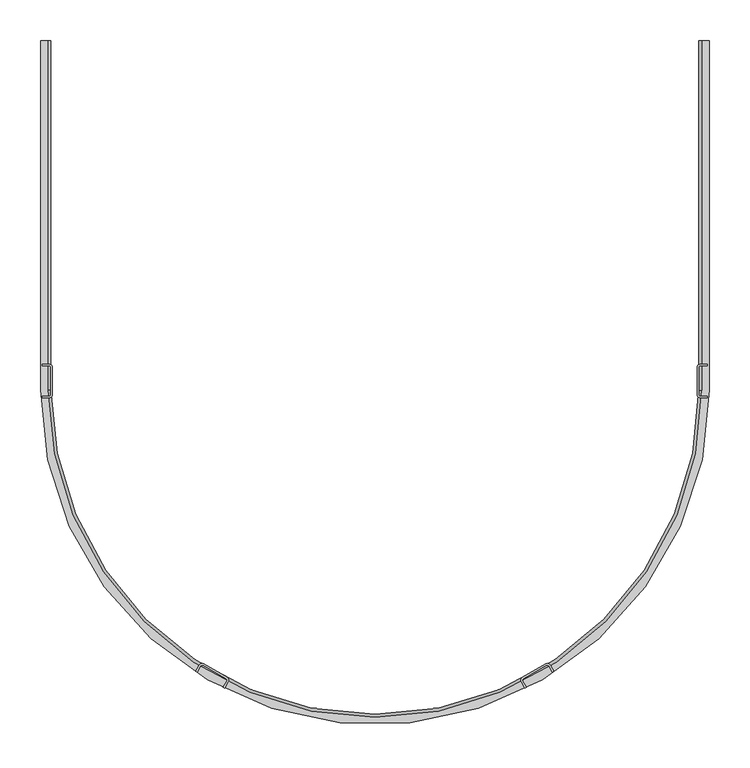
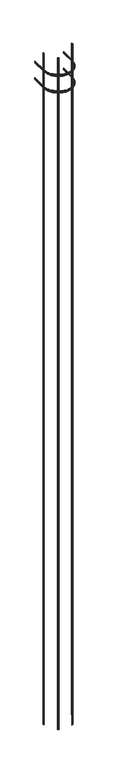
"""IFC4 building model written with IfcOpenShell, lengths in millimetres: proxy geometry."""

from ifc_helpers import new_model, si_unit, point, frame, frame_2d, origin, place, context, project, spatial, polyline, circle_curve, ellipse_curve, trimmed, segment, composite_curve, outline, extrude, source, transform, mapped, element, save
from ifc_brep_helpers import plane_surface, cylinder_surface, revolved_surface, advanced_brep


def generic_models_b671ac7d(model_context):
    return source(origin(), model_context, "Body", "SolidModel", [
        advanced_brep(
        [(413.0816438, 0.0134846, 510.8128122), (413.0816438, 0.0134846, 508.9128122), (404.0048585, 0.0135409, 508.9128122), (400.2301169, 0.0135642, 512.6875539), (400.2301169, 0.0135642, 546.3487175), (403.9942116, 0.0135409, 550.1128122), (413.0816438, 0.0134846, 550.1128122), (413.0816438, 0.0134846, 548.2128122), (404.0152824, 0.0135408, 548.2128122), (402.1301169, 0.0135525, 546.3276467), (402.1301169, 0.0135525, 512.672999), (403.9903036, 0.0135409, 510.8128122), (413.0789731, -431.0893048, 510.8128122), (413.0789731, -431.0893048, 508.9128122), (-412.6203617, -431.0841896, 508.9128122), (-412.6176911, 0.0135999, 508.9128122), (-403.5409058, 0.0135436, 508.9128122), (-403.5435765, -431.0842458, 508.9128122), (404.0021878, -431.0892486, 508.9128122), (400.2274462, -431.0892252, 512.6875539), (400.2274462, -431.0892252, 546.3487175), (403.9915409, -431.0892485, 550.1128122), (-403.5329296, -431.0842458, 550.1128122), (-403.5302589, 0.0135436, 550.1128122), (-412.6176911, 0.0135999, 550.1128122), (-412.6203617, -431.0841896, 550.1128122), (413.0789731, -431.0893048, 550.1128122), (413.0789731, -431.0893048, 548.2128122), (-412.6203617, -431.0841896, 548.2128122), (-412.6176911, 0.0135999, 548.2128122), (-403.5513297, 0.0135437, 548.2128122), (-403.5540004, -431.0842457, 548.2128122), (404.0126117, -431.0892486, 548.2128122), (402.1274462, -431.0892369, 546.3276467), (402.1274462, -431.0892369, 512.672999), (403.9876329, -431.0892485, 510.8128122), (-403.5290216, -431.0842459, 510.8128122), (-403.5263509, 0.0135435, 510.8128122), (-412.6176911, 0.0135999, 510.8128122), (-412.6203617, -431.0841896, 510.8128122), (-399.7688348, -431.0842692, 512.6875539), (-399.7688348, -431.0842692, 546.3487175), (-401.6688348, -431.0842574, 546.3276467), (-401.6688348, -431.0842574, 512.672999), (-401.6661642, 0.013532, 512.672999), (-401.6661642, 0.013532, 546.3276467), (-399.7661642, 0.0135202, 546.3487175), (-399.7661642, 0.0135202, 512.6875539)],
        [
            (0, 1),
            (1, 2),
            (2, 3, circle_curve(frame((404.0048585, 0.0135409, 512.6875539), z_axis=(6.1950422018355295e-06, 0.9999999999808108, 0.0), x_axis=(-0.9999999999808108, 6.1950422018355295e-06, 0.0)), 3.7747416)),
            (3, 4),
            (4, 5, circle_curve(frame((403.9942116, 0.0135409, 546.3487175), z_axis=(6.1950422018355295e-06, 0.9999999999808108, 0.0), x_axis=(-0.9999999999808108, 6.1950422018355295e-06, 0.0)), 3.7640947)),
            (5, 6),
            (6, 7),
            (7, 8),
            (8, 9, circle_curve(frame((404.0152824, 0.0135408, 546.3276467), z_axis=(-6.1950422018355295e-06, -0.9999999999808108, 0.0), x_axis=(-0.9999999999808108, 6.1950422018355295e-06, 0.0)), 1.8851655)),
            (9, 10),
            (10, 11, circle_curve(frame((403.9903036, 0.0135409, 512.672999), z_axis=(-6.1950422018355295e-06, -0.9999999999808108, 0.0), x_axis=(-0.9999999999808108, 6.1950422018355295e-06, 0.0)), 1.8601867)),
            (11, 0),
            (0, 12),
            (12, 13),
            (13, 1),
            (13, 14, circle_curve(frame((0.2293057, -431.0867472, 508.9128122), z_axis=(0.0, 0.0, -1.0), x_axis=(0.9999999999808107, -6.1950422018791e-06, 0.0)), 412.8496674)),
            (14, 15),
            (15, 16),
            (16, 17),
            (17, 18, circle_curve(frame((0.2293057, -431.0867472, 508.9128122), z_axis=(0.0, 0.0, 1.0), x_axis=(0.9999999999808107, -6.1950422018791e-06, 0.0)), 403.7728821)),
            (18, 2),
            (18, 19, circle_curve(frame((404.0021878, -431.0892486, 512.6875539), z_axis=(6.1950422018355295e-06, 0.9999999999808108, 0.0), x_axis=(-0.9999999999808108, 6.1950422018355295e-06, 0.0)), 3.7747416)),
            (19, 3),
            (19, 20),
            (20, 4),
            (20, 21, circle_curve(frame((403.9915409, -431.0892485, 546.3487175), z_axis=(6.1950422018355295e-06, 0.9999999999808108, 0.0), x_axis=(-0.9999999999808108, 6.1950422018355295e-06, 0.0)), 3.7640947)),
            (21, 5),
            (21, 22, circle_curve(frame((0.2293057, -431.0867472, 550.1128122), z_axis=(0.0, 0.0, -1.0), x_axis=(0.9999999999808107, -6.1950422018791e-06, 0.0)), 403.7622352)),
            (22, 23),
            (23, 24),
            (24, 25),
            (25, 26, circle_curve(frame((0.2293057, -431.0867472, 550.1128122), z_axis=(0.0, 0.0, 1.0), x_axis=(0.9999999999808107, -6.1950422018791e-06, 0.0)), 412.8496674)),
            (26, 6),
            (26, 27),
            (27, 7),
            (27, 28, circle_curve(frame((0.2293057, -431.0867472, 548.2128122), z_axis=(0.0, 0.0, -1.0), x_axis=(0.9999999999808107, -6.1950422018791e-06, 0.0)), 412.8496674)),
            (28, 29),
            (29, 30),
            (30, 31),
            (31, 32, circle_curve(frame((0.2293057, -431.0867472, 548.2128122), z_axis=(0.0, 0.0, 1.0), x_axis=(0.9999999999808107, -6.1950422018791e-06, 0.0)), 403.783306)),
            (32, 8),
            (32, 33, circle_curve(frame((404.0126117, -431.0892486, 546.3276467), z_axis=(-6.1950422018355295e-06, -0.9999999999808108, 0.0), x_axis=(-0.9999999999808108, 6.1950422018355295e-06, 0.0)), 1.8851655)),
            (33, 9),
            (33, 34),
            (34, 10),
            (34, 35, circle_curve(frame((403.9876329, -431.0892485, 512.672999), z_axis=(-6.1950422018355295e-06, -0.9999999999808108, 0.0), x_axis=(-0.9999999999808108, 6.1950422018355295e-06, 0.0)), 1.8601867)),
            (35, 11),
            (35, 36, circle_curve(frame((0.2293057, -431.0867472, 510.8128122), z_axis=(0.0, 0.0, -1.0), x_axis=(0.9999999999808107, -6.1950422018791e-06, 0.0)), 403.7583272)),
            (36, 37),
            (37, 38),
            (38, 39),
            (39, 12, circle_curve(frame((0.2293057, -431.0867472, 510.8128122), z_axis=(0.0, 0.0, 1.0), x_axis=(0.9999999999808107, -6.1950422018791e-06, 0.0)), 412.8496674)),
            (39, 14),
            (40, 19, circle_curve(frame((0.2293057, -431.0867472, 512.6875539), z_axis=(0.0, 0.0, 1.0), x_axis=(0.9999999999808107, -6.1950422018791e-06, 0.0)), 399.9981405)),
            (17, 40, circle_curve(frame((-403.5435765, -431.0842458, 512.6875539), z_axis=(-6.195042195983474e-06, -0.9999999999808107, 0.0), x_axis=(0.9999999999808107, -6.195042195983474e-06, 0.0)), 3.7747416)),
            (41, 20, circle_curve(frame((0.2293057, -431.0867472, 546.3487175), z_axis=(0.0, 0.0, 1.0), x_axis=(0.9999999999808107, -6.1950422018791e-06, 0.0)), 399.9981405)),
            (40, 41),
            (41, 22, circle_curve(frame((-403.5329296, -431.0842458, 546.3487175), z_axis=(-6.195042195983474e-06, -0.9999999999808107, 0.0), x_axis=(0.9999999999808107, -6.195042195983474e-06, 0.0)), 3.7640947)),
            (25, 28),
            (42, 33, circle_curve(frame((0.2293057, -431.0867472, 546.3276467), z_axis=(0.0, 0.0, 1.0), x_axis=(0.9999999999808107, -6.1950422018791e-06, 0.0)), 401.8981405)),
            (31, 42, circle_curve(frame((-403.5540004, -431.0842457, 546.3276467), z_axis=(6.195042195983474e-06, 0.9999999999808107, 0.0), x_axis=(0.9999999999808107, -6.195042195983474e-06, 0.0)), 1.8851655)),
            (43, 34, circle_curve(frame((0.2293057, -431.0867472, 512.672999), z_axis=(0.0, 0.0, 1.0), x_axis=(0.9999999999808107, -6.1950422018791e-06, 0.0)), 401.8981405)),
            (42, 43),
            (43, 36, circle_curve(frame((-403.5290216, -431.0842459, 512.672999), z_axis=(6.195042195983474e-06, 0.9999999999808107, 0.0), x_axis=(0.9999999999808107, -6.195042195983474e-06, 0.0)), 1.8601867)),
            (37, 44, circle_curve(frame((-403.5263509, 0.0135435, 512.672999), z_axis=(-6.195042209213617e-06, -0.9999999999808108, 0.0), x_axis=(0.9999999999808108, -6.195042209213617e-06, 0.0)), 1.8601867)),
            (44, 45),
            (45, 30, circle_curve(frame((-403.5513297, 0.0135437, 546.3276467), z_axis=(-6.195042209213617e-06, -0.9999999999808108, 0.0), x_axis=(0.9999999999808108, -6.195042209213617e-06, 0.0)), 1.8851655)),
            (29, 24),
            (23, 46, circle_curve(frame((-403.5302589, 0.0135436, 546.3487175), z_axis=(6.195042209213617e-06, 0.9999999999808108, 0.0), x_axis=(0.9999999999808108, -6.195042209213617e-06, 0.0)), 3.7640947)),
            (46, 47),
            (47, 16, circle_curve(frame((-403.5409058, 0.0135436, 512.6875539), z_axis=(6.195042209213617e-06, 0.9999999999808108, 0.0), x_axis=(0.9999999999808108, -6.195042209213617e-06, 0.0)), 3.7747416)),
            (15, 38),
            (47, 40),
            (46, 41),
            (45, 42),
            (44, 43),
        ],
        [
            plane_surface(frame((400.2301169, 0.0135642, 508.9128122), z_axis=(6.19504220183553e-06, 0.9999999999808108, 0.0), x_axis=(0.0, 0.0, 1.0))),
            plane_surface(frame((413.0816438, 0.0134846, 510.8128122), z_axis=(0.9999999999808108, -6.19504220181695e-06, 0.0), x_axis=(-6.19504220181695e-06, -0.9999999999808108, 0.0))),
            plane_surface(frame((413.0816438, 0.0134846, 508.9128122), z_axis=(0.0, 0.0, -1.0000000000000002), x_axis=(-6.19504220181695e-06, -0.9999999999808108, 0.0))),
            cylinder_surface(frame((404.0048585, 0.0135409, 512.6875539), z_axis=(6.1950422018355295e-06, 0.9999999999808108, 0.0), x_axis=(-0.9999999999808108, 6.1950422018355295e-06, 0.0)), 3.7747416),
            plane_surface(frame((400.2301169, 0.0135642, 512.6875539), z_axis=(-0.9999999999808108, 6.19504220181695e-06, 0.0), x_axis=(-6.19504220181695e-06, -0.9999999999808108, 0.0))),
            cylinder_surface(frame((403.9942116, 0.0135409, 546.3487175), z_axis=(6.1950422018355295e-06, 0.9999999999808108, 0.0), x_axis=(-0.9999999999808108, 6.1950422018355295e-06, 0.0)), 3.7640947),
            plane_surface(frame((403.9942116, 0.0135409, 550.1128122), z_axis=(0.0, 0.0, 1.0000000000000002), x_axis=(-6.19504220181695e-06, -0.9999999999808108, 0.0))),
            plane_surface(frame((413.0816438, 0.0134846, 550.1128122), z_axis=(0.9999999999808108, -6.19504220181695e-06, 0.0), x_axis=(-6.19504220181695e-06, -0.9999999999808108, 0.0))),
            plane_surface(frame((413.0816438, 0.0134846, 548.2128122), z_axis=(0.0, 0.0, -1.0000000000000002), x_axis=(-6.19504220181695e-06, -0.9999999999808108, 0.0))),
            revolved_surface(polyline([(402.1274462000625, -431.08923692132015, 546.3276467), (402.1301169000363, 0.013552499999999777, 546.3276467)]), (404.0152824, 0.0135408, 546.3276467), (-6.1950422018355295e-06, -0.9999999999808108, 0.0)),
            plane_surface(frame((402.1301169, 0.0135525, 546.3276467), z_axis=(0.9999999999808108, -6.19504220181695e-06, 0.0), x_axis=(-6.19504220181695e-06, -0.9999999999808108, 0.0))),
            revolved_surface(polyline([(402.127446200062, -431.0892369760649, 512.672999), (402.13011690003617, 0.013552499999999777, 512.672999)]), (403.9903036, 0.0135409, 512.672999), (-6.1950422018355295e-06, -0.9999999999808108, 0.0)),
            plane_surface(frame((403.9903036, 0.0135409, 510.8128122), z_axis=(0.0, 0.0, 1.0000000000000002), x_axis=(-6.19504220181695e-06, -0.9999999999808108, 0.0))),
            cylinder_surface(frame((0.2293057, -431.0867472, 508.9128122), z_axis=(0.0, 0.0, -1.0), x_axis=(0.9999999999808107, -6.1950422018791e-06, 0.0)), 412.8496674),
            revolved_surface(trimmed(ellipse_curve(frame((404.0021878, -431.0892486, 512.6875539), z_axis=(6.195042201879098e-06, 0.9999999999808107, 0.0), x_axis=(-0.9999999999808107, 6.195042201879098e-06, 0.0)), 3.7747416, 3.7747416), [point((404.0021878, -431.0892486, 508.9128122))], [point((400.2274462, -431.0892252, 512.6875539))], True, "CARTESIAN"), (0.2293057, -431.0867472, 508.9128122), (0.0, 0.0, -1.0)),
            revolved_surface(polyline([(400.2274461923243, -431.08922520536106, 512.6875539), (400.2274461923243, -431.08922520536106, 546.3487175)]), (0.2293057, -431.0867472, 508.9128122), (0.0, 0.0, -1.0)),
            revolved_surface(trimmed(ellipse_curve(frame((403.9915409, -431.0892485, 546.3487175), z_axis=(6.195042201879098e-06, 0.9999999999808107, 0.0), x_axis=(-0.9999999999808107, 6.195042201879098e-06, 0.0)), 3.7640947, 3.7640947), [point((400.2274462, -431.0892252, 546.3487175))], [point((403.9915409, -431.0892485, 550.1128122))], True, "CARTESIAN"), (0.2293057, -431.0867472, 508.9128122), (0.0, 0.0, -1.0)),
            revolved_surface(trimmed(ellipse_curve(frame((404.0126117, -431.0892486, 546.3276467), z_axis=(-6.195042201879098e-06, -0.9999999999808107, 0.0), x_axis=(-0.9999999999808107, 6.195042201879098e-06, 0.0)), 1.8851655, 1.8851655), [point((404.0126117, -431.0892486, 548.2128122))], [point((402.1274462, -431.0892369, 546.3276467))], True, "CARTESIAN"), (0.2293057, -431.0867472, 508.9128122), (0.0, 0.0, -1.0)),
            cylinder_surface(frame((0.2293057, -431.0867472, 508.9128122), z_axis=(0.0, 0.0, -1.0), x_axis=(0.9999999999808107, -6.1950422018791e-06, 0.0)), 401.8981405),
            revolved_surface(trimmed(ellipse_curve(frame((403.9876329, -431.0892485, 512.672999), z_axis=(-6.195042201879098e-06, -0.9999999999808107, 0.0), x_axis=(-0.9999999999808107, 6.195042201879098e-06, 0.0)), 1.8601867, 1.8601867), [point((402.1274462, -431.0892369, 512.672999))], [point((403.9876329, -431.0892485, 510.8128122))], True, "CARTESIAN"), (0.2293057, -431.0867472, 508.9128122), (0.0, 0.0, -1.0)),
            plane_surface(frame((-399.7661642, 0.0135202, 508.9128122), z_axis=(6.1950422092136176e-06, 0.9999999999808108, 0.0), x_axis=(0.0, 0.0, 1.0))),
            plane_surface(frame((-412.6203617, -431.0841896, 510.8128122), z_axis=(-0.9999999999808108, 6.195042209195125e-06, 0.0), x_axis=(6.195042209195125e-06, 0.9999999999808108, 0.0))),
            cylinder_surface(frame((-403.5435765, -431.0842458, 512.6875539), z_axis=(-6.195042209213617e-06, -0.9999999999808108, 0.0), x_axis=(0.9999999999808108, -6.195042209213617e-06, 0.0)), 3.7747416),
            plane_surface(frame((-399.7688348, -431.0842692, 512.6875539), z_axis=(0.9999999999808108, -6.195042209195126e-06, 0.0), x_axis=(6.195042209195126e-06, 0.9999999999808108, 0.0))),
            cylinder_surface(frame((-403.5329296, -431.0842458, 546.3487175), z_axis=(-6.195042209213617e-06, -0.9999999999808108, 0.0), x_axis=(0.9999999999808108, -6.195042209213617e-06, 0.0)), 3.7640947),
            plane_surface(frame((-412.6203617, -431.0841896, 550.1128122), z_axis=(-0.9999999999808108, 6.195042209195125e-06, 0.0), x_axis=(6.195042209195125e-06, 0.9999999999808108, 0.0))),
            revolved_surface(polyline([(-401.6661642310345, 0.013532021320372678, 546.3276467), (-401.6688349000363, -431.08425739999944, 546.3276467)]), (-403.5540004, -431.0842457, 546.3276467), (6.195042209213617e-06, 0.9999999999808108, 0.0)),
            plane_surface(frame((-401.6688348, -431.0842574, 546.3276467), z_axis=(-0.9999999999808108, 6.195042209195126e-06, 0.0), x_axis=(6.195042209195126e-06, 0.9999999999808108, 0.0))),
            revolved_surface(polyline([(-401.6661642310339, 0.013532000000225253, 512.672999), (-401.66883490003573, -431.0842574239351, 512.672999)]), (-403.5290216, -431.0842459, 512.672999), (6.195042209213617e-06, 0.9999999999808108, 0.0)),
        ],
        [
            (0, [[1, 2, 3, 4, 5, 6, 7, 8, 9, 10, 11, 12]]),
            (1, [[-1, 13, 14, 15]]),
            (2, [[-2, -15, 16, 17, 18, 19, 20, 21]]),
            (3, [[-3, -21, 22, 23]]),
            (4, [[-4, -23, 24, 25]]),
            (5, [[-5, -25, 26, 27]]),
            (6, [[-6, -27, 28, 29, 30, 31, 32, 33]]),
            (7, [[-7, -33, 34, 35]]),
            (8, [[-8, -35, 36, 37, 38, 39, 40, 41]]),
            (9, [[-9, -41, 42, 43]]),
            (10, [[-10, -43, 44, 45]]),
            (11, [[-11, -45, 46, 47]]),
            (12, [[-12, -47, 48, 49, 50, 51, 52, -13]]),
            (13, [[-16, -14, -52, 53]]),
            (14, [[54, -22, -20, 55]]),
            (15, [[56, -24, -54, 57]]),
            (16, [[-28, -26, -56, 58]]),
            (13, [[-36, -34, -32, 59]]),
            (17, [[60, -42, -40, 61]]),
            (18, [[62, -44, -60, 63]]),
            (19, [[-48, -46, -62, 64]]),
            (20, [[-50, 65, 66, 67, -38, 68, -30, 69, 70, 71, -18, 72]]),
            (21, [[-53, -51, -72, -17]]),
            (22, [[-55, -19, -71, 73]]),
            (23, [[-57, -73, -70, 74]]),
            (24, [[-58, -74, -69, -29]]),
            (25, [[-59, -31, -68, -37]]),
            (26, [[-61, -39, -67, 75]]),
            (27, [[-63, -75, -66, 76]]),
            (28, [[-64, -76, -65, -49]]),
        ],
    ),
        advanced_brep(
        [(413.0816438, 0.0134846, 11.3128122), (413.0816438, 0.0134846, 9.4128122), (404.0048585, 0.0135409, 9.4128122), (400.2301169, 0.0135642, 13.1875539), (400.2301169, 0.0135642, 46.8487175), (403.9942116, 0.0135409, 50.6128122), (413.0816438, 0.0134846, 50.6128122), (413.0816438, 0.0134846, 48.7128122), (404.0152824, 0.0135408, 48.7128122), (402.1301169, 0.0135525, 46.8276467), (402.1301169, 0.0135525, 13.172999), (403.9903036, 0.0135409, 11.3128122), (413.0789731, -431.0893048, 11.3128122), (413.0789731, -431.0893048, 9.4128122), (-412.6203617, -431.0841896, 9.4128122), (-412.6176911, 0.0135999, 9.4128122), (-403.5409058, 0.0135436, 9.4128122), (-403.5435765, -431.0842458, 9.4128122), (404.0021878, -431.0892486, 9.4128122), (400.2274462, -431.0892252, 13.1875539), (400.2274462, -431.0892252, 46.8487175), (403.9915409, -431.0892485, 50.6128122), (-403.5329296, -431.0842458, 50.6128122), (-403.5302589, 0.0135436, 50.6128122), (-412.6176911, 0.0135999, 50.6128122), (-412.6203617, -431.0841896, 50.6128122), (413.0789731, -431.0893048, 50.6128122), (413.0789731, -431.0893048, 48.7128122), (-412.6203617, -431.0841896, 48.7128122), (-412.6176911, 0.0135999, 48.7128122), (-403.5513297, 0.0135437, 48.7128122), (-403.5540004, -431.0842457, 48.7128122), (404.0126117, -431.0892486, 48.7128122), (402.1274462, -431.0892369, 46.8276467), (402.1274462, -431.0892369, 13.172999), (403.9876329, -431.0892485, 11.3128122), (-403.5290216, -431.0842459, 11.3128122), (-403.5263509, 0.0135435, 11.3128122), (-412.6176911, 0.0135999, 11.3128122), (-412.6203617, -431.0841896, 11.3128122), (-399.7688348, -431.0842692, 13.1875539), (-399.7688348, -431.0842692, 46.8487175), (-401.6688348, -431.0842574, 46.8276467), (-401.6688348, -431.0842574, 13.172999), (-401.6661642, 0.013532, 13.172999), (-401.6661642, 0.013532, 46.8276467), (-399.7661642, 0.0135202, 46.8487175), (-399.7661642, 0.0135202, 13.1875539)],
        [
            (0, 1),
            (1, 2),
            (2, 3, circle_curve(frame((404.0048585, 0.0135409, 13.1875539), z_axis=(6.19504220183553e-06, 0.9999999999808108, 0.0), x_axis=(-0.9999999999808108, 6.19504220183553e-06, 0.0)), 3.7747416)),
            (3, 4),
            (4, 5, circle_curve(frame((403.9942116, 0.0135409, 46.8487175), z_axis=(6.19504220183553e-06, 0.9999999999808108, 0.0), x_axis=(-0.9999999999808108, 6.19504220183553e-06, 0.0)), 3.7640947)),
            (5, 6),
            (6, 7),
            (7, 8),
            (8, 9, circle_curve(frame((404.0152824, 0.0135408, 46.8276467), z_axis=(-6.19504220183553e-06, -0.9999999999808108, 0.0), x_axis=(-0.9999999999808108, 6.19504220183553e-06, 0.0)), 1.8851655)),
            (9, 10),
            (10, 11, circle_curve(frame((403.9903036, 0.0135409, 13.172999), z_axis=(-6.19504220183553e-06, -0.9999999999808108, 0.0), x_axis=(-0.9999999999808108, 6.19504220183553e-06, 0.0)), 1.8601867)),
            (11, 0),
            (0, 12),
            (12, 13),
            (13, 1),
            (13, 14, circle_curve(frame((0.2293057, -431.0867472, 9.4128122), z_axis=(0.0, 0.0, -1.0), x_axis=(0.9999999999808107, -6.195042201879101e-06, 0.0)), 412.8496674)),
            (14, 15),
            (15, 16),
            (16, 17),
            (17, 18, circle_curve(frame((0.2293057, -431.0867472, 9.4128122), z_axis=(0.0, 0.0, 1.0), x_axis=(0.9999999999808107, -6.195042201879101e-06, 0.0)), 403.7728821)),
            (18, 2),
            (18, 19, circle_curve(frame((404.0021878, -431.0892486, 13.1875539), z_axis=(6.19504220183553e-06, 0.9999999999808108, 0.0), x_axis=(-0.9999999999808108, 6.19504220183553e-06, 0.0)), 3.7747416)),
            (19, 3),
            (19, 20),
            (20, 4),
            (20, 21, circle_curve(frame((403.9915409, -431.0892485, 46.8487175), z_axis=(6.19504220183553e-06, 0.9999999999808108, 0.0), x_axis=(-0.9999999999808108, 6.19504220183553e-06, 0.0)), 3.7640947)),
            (21, 5),
            (21, 22, circle_curve(frame((0.2293057, -431.0867472, 50.6128122), z_axis=(0.0, 0.0, -1.0), x_axis=(0.9999999999808107, -6.195042201879101e-06, 0.0)), 403.7622352)),
            (22, 23),
            (23, 24),
            (24, 25),
            (25, 26, circle_curve(frame((0.2293057, -431.0867472, 50.6128122), z_axis=(0.0, 0.0, 1.0), x_axis=(0.9999999999808107, -6.195042201879101e-06, 0.0)), 412.8496674)),
            (26, 6),
            (26, 27),
            (27, 7),
            (27, 28, circle_curve(frame((0.2293057, -431.0867472, 48.7128122), z_axis=(0.0, 0.0, -1.0), x_axis=(0.9999999999808107, -6.195042201879101e-06, 0.0)), 412.8496674)),
            (28, 29),
            (29, 30),
            (30, 31),
            (31, 32, circle_curve(frame((0.2293057, -431.0867472, 48.7128122), z_axis=(0.0, 0.0, 1.0), x_axis=(0.9999999999808107, -6.195042201879101e-06, 0.0)), 403.783306)),
            (32, 8),
            (32, 33, circle_curve(frame((404.0126117, -431.0892486, 46.8276467), z_axis=(-6.19504220183553e-06, -0.9999999999808108, 0.0), x_axis=(-0.9999999999808108, 6.19504220183553e-06, 0.0)), 1.8851655)),
            (33, 9),
            (33, 34),
            (34, 10),
            (34, 35, circle_curve(frame((403.9876329, -431.0892485, 13.172999), z_axis=(-6.19504220183553e-06, -0.9999999999808108, 0.0), x_axis=(-0.9999999999808108, 6.19504220183553e-06, 0.0)), 1.8601867)),
            (35, 11),
            (35, 36, circle_curve(frame((0.2293057, -431.0867472, 11.3128122), z_axis=(0.0, 0.0, -1.0), x_axis=(0.9999999999808107, -6.195042201879101e-06, 0.0)), 403.7583272)),
            (36, 37),
            (37, 38),
            (38, 39),
            (39, 12, circle_curve(frame((0.2293057, -431.0867472, 11.3128122), z_axis=(0.0, 0.0, 1.0), x_axis=(0.9999999999808107, -6.195042201879101e-06, 0.0)), 412.8496674)),
            (39, 14),
            (40, 19, circle_curve(frame((0.2293057, -431.0867472, 13.1875539), z_axis=(0.0, 0.0, 1.0), x_axis=(0.9999999999808107, -6.195042201879101e-06, 0.0)), 399.9981405)),
            (17, 40, circle_curve(frame((-403.5435765, -431.0842458, 13.1875539), z_axis=(-6.195042195983476e-06, -0.9999999999808107, 0.0), x_axis=(0.9999999999808107, -6.195042195983476e-06, 0.0)), 3.7747416)),
            (41, 20, circle_curve(frame((0.2293057, -431.0867472, 46.8487175), z_axis=(0.0, 0.0, 1.0), x_axis=(0.9999999999808107, -6.195042201879101e-06, 0.0)), 399.9981405)),
            (40, 41),
            (41, 22, circle_curve(frame((-403.5329296, -431.0842458, 46.8487175), z_axis=(-6.195042195983476e-06, -0.9999999999808107, 0.0), x_axis=(0.9999999999808107, -6.195042195983476e-06, 0.0)), 3.7640947)),
            (25, 28),
            (42, 33, circle_curve(frame((0.2293057, -431.0867472, 46.8276467), z_axis=(0.0, 0.0, 1.0), x_axis=(0.9999999999808107, -6.195042201879101e-06, 0.0)), 401.8981405)),
            (31, 42, circle_curve(frame((-403.5540004, -431.0842457, 46.8276467), z_axis=(6.195042195983476e-06, 0.9999999999808107, 0.0), x_axis=(0.9999999999808107, -6.195042195983476e-06, 0.0)), 1.8851655)),
            (43, 34, circle_curve(frame((0.2293057, -431.0867472, 13.172999), z_axis=(0.0, 0.0, 1.0), x_axis=(0.9999999999808107, -6.195042201879101e-06, 0.0)), 401.8981405)),
            (42, 43),
            (43, 36, circle_curve(frame((-403.5290216, -431.0842459, 13.172999), z_axis=(6.195042195983476e-06, 0.9999999999808107, 0.0), x_axis=(0.9999999999808107, -6.195042195983476e-06, 0.0)), 1.8601867)),
            (37, 44, circle_curve(frame((-403.5263509, 0.0135435, 13.172999), z_axis=(-6.195042209213618e-06, -0.9999999999808108, 0.0), x_axis=(0.9999999999808108, -6.195042209213618e-06, 0.0)), 1.8601867)),
            (44, 45),
            (45, 30, circle_curve(frame((-403.5513297, 0.0135437, 46.8276467), z_axis=(-6.195042209213618e-06, -0.9999999999808108, 0.0), x_axis=(0.9999999999808108, -6.195042209213618e-06, 0.0)), 1.8851655)),
            (29, 24),
            (23, 46, circle_curve(frame((-403.5302589, 0.0135436, 46.8487175), z_axis=(6.195042209213618e-06, 0.9999999999808108, 0.0), x_axis=(0.9999999999808108, -6.195042209213618e-06, 0.0)), 3.7640947)),
            (46, 47),
            (47, 16, circle_curve(frame((-403.5409058, 0.0135436, 13.1875539), z_axis=(6.195042209213618e-06, 0.9999999999808108, 0.0), x_axis=(0.9999999999808108, -6.195042209213618e-06, 0.0)), 3.7747416)),
            (15, 38),
            (47, 40),
            (46, 41),
            (45, 42),
            (44, 43),
        ],
        [
            plane_surface(frame((400.2301169, 0.0135642, 9.4128122), z_axis=(6.195042201835531e-06, 0.9999999999808108, 0.0), x_axis=(0.0, 0.0, 1.0))),
            plane_surface(frame((413.0816438, 0.0134846, 11.3128122), z_axis=(0.9999999999808108, -6.19504220181695e-06, 0.0), x_axis=(-6.19504220181695e-06, -0.9999999999808108, 0.0))),
            plane_surface(frame((413.0816438, 0.0134846, 9.4128122), z_axis=(0.0, 0.0, -1.0000000000000002), x_axis=(-6.19504220181695e-06, -0.9999999999808108, 0.0))),
            cylinder_surface(frame((404.0048585, 0.0135409, 13.1875539), z_axis=(6.19504220183553e-06, 0.9999999999808108, 0.0), x_axis=(-0.9999999999808108, 6.19504220183553e-06, 0.0)), 3.7747416),
            plane_surface(frame((400.2301169, 0.0135642, 13.1875539), z_axis=(-0.9999999999808108, 6.19504220181695e-06, 0.0), x_axis=(-6.19504220181695e-06, -0.9999999999808108, 0.0))),
            cylinder_surface(frame((403.9942116, 0.0135409, 46.8487175), z_axis=(6.19504220183553e-06, 0.9999999999808108, 0.0), x_axis=(-0.9999999999808108, 6.19504220183553e-06, 0.0)), 3.7640947),
            plane_surface(frame((403.9942116, 0.0135409, 50.6128122), z_axis=(0.0, 0.0, 1.0000000000000002), x_axis=(-6.19504220181695e-06, -0.9999999999808108, 0.0))),
            plane_surface(frame((413.0816438, 0.0134846, 50.6128122), z_axis=(0.9999999999808108, -6.19504220181695e-06, 0.0), x_axis=(-6.19504220181695e-06, -0.9999999999808108, 0.0))),
            plane_surface(frame((413.0816438, 0.0134846, 48.7128122), z_axis=(0.0, 0.0, -1.0000000000000002), x_axis=(-6.19504220181695e-06, -0.9999999999808108, 0.0))),
            revolved_surface(polyline([(402.1274462000625, -431.08923692132015, 46.8276467), (402.1301169000363, 0.013552499999999777, 46.8276467)]), (404.0152824, 0.0135408, 46.8276467), (-6.19504220183553e-06, -0.9999999999808108, 0.0)),
            plane_surface(frame((402.1301169, 0.0135525, 46.8276467), z_axis=(0.9999999999808108, -6.19504220181695e-06, 0.0), x_axis=(-6.19504220181695e-06, -0.9999999999808108, 0.0))),
            revolved_surface(polyline([(402.127446200062, -431.0892369760649, 13.172999), (402.13011690003617, 0.013552499999999777, 13.172999)]), (403.9903036, 0.0135409, 13.172999), (-6.19504220183553e-06, -0.9999999999808108, 0.0)),
            plane_surface(frame((403.9903036, 0.0135409, 11.3128122), z_axis=(0.0, 0.0, 1.0000000000000002), x_axis=(-6.19504220181695e-06, -0.9999999999808108, 0.0))),
            cylinder_surface(frame((0.2293057, -431.0867472, 9.4128122), z_axis=(0.0, 0.0, -1.0), x_axis=(0.9999999999808107, -6.195042201879101e-06, 0.0)), 412.8496674),
            revolved_surface(trimmed(ellipse_curve(frame((404.0021878, -431.0892486, 13.1875539), z_axis=(6.195042201879101e-06, 0.9999999999808107, 0.0), x_axis=(-0.9999999999808107, 6.195042201879101e-06, 0.0)), 3.7747416, 3.7747416), [point((404.0021878, -431.0892486, 9.4128122))], [point((400.2274462, -431.0892252, 13.1875539))], True, "CARTESIAN"), (0.2293057, -431.0867472, 9.4128122), (0.0, 0.0, -1.0)),
            revolved_surface(polyline([(400.2274461923243, -431.08922520536106, 13.1875539), (400.2274461923243, -431.08922520536106, 46.8487175)]), (0.2293057, -431.0867472, 9.4128122), (0.0, 0.0, -1.0)),
            revolved_surface(trimmed(ellipse_curve(frame((403.9915409, -431.0892485, 46.8487175), z_axis=(6.195042201879101e-06, 0.9999999999808107, 0.0), x_axis=(-0.9999999999808107, 6.195042201879101e-06, 0.0)), 3.7640947, 3.7640947), [point((400.2274462, -431.0892252, 46.8487175))], [point((403.9915409, -431.0892485, 50.6128122))], True, "CARTESIAN"), (0.2293057, -431.0867472, 9.4128122), (0.0, 0.0, -1.0)),
            revolved_surface(trimmed(ellipse_curve(frame((404.0126117, -431.0892486, 46.8276467), z_axis=(-6.195042201879101e-06, -0.9999999999808107, 0.0), x_axis=(-0.9999999999808107, 6.195042201879101e-06, 0.0)), 1.8851655, 1.8851655), [point((404.0126117, -431.0892486, 48.7128122))], [point((402.1274462, -431.0892369, 46.8276467))], True, "CARTESIAN"), (0.2293057, -431.0867472, 9.4128122), (0.0, 0.0, -1.0)),
            cylinder_surface(frame((0.2293057, -431.0867472, 9.4128122), z_axis=(0.0, 0.0, -1.0), x_axis=(0.9999999999808107, -6.195042201879101e-06, 0.0)), 401.8981405),
            revolved_surface(trimmed(ellipse_curve(frame((403.9876329, -431.0892485, 13.172999), z_axis=(-6.195042201879101e-06, -0.9999999999808107, 0.0), x_axis=(-0.9999999999808107, 6.195042201879101e-06, 0.0)), 1.8601867, 1.8601867), [point((402.1274462, -431.0892369, 13.172999))], [point((403.9876329, -431.0892485, 11.3128122))], True, "CARTESIAN"), (0.2293057, -431.0867472, 9.4128122), (0.0, 0.0, -1.0)),
            plane_surface(frame((-399.7661642, 0.0135202, 9.4128122), z_axis=(6.1950422092136176e-06, 0.9999999999808108, 0.0), x_axis=(0.0, 0.0, 1.0))),
            plane_surface(frame((-412.6203617, -431.0841896, 11.3128122), z_axis=(-0.9999999999808108, 6.195042209195125e-06, 0.0), x_axis=(6.195042209195125e-06, 0.9999999999808108, 0.0))),
            cylinder_surface(frame((-403.5435765, -431.0842458, 13.1875539), z_axis=(-6.195042209213618e-06, -0.9999999999808108, 0.0), x_axis=(0.9999999999808108, -6.195042209213618e-06, 0.0)), 3.7747416),
            plane_surface(frame((-399.7688348, -431.0842692, 13.1875539), z_axis=(0.9999999999808108, -6.195042209195126e-06, 0.0), x_axis=(6.195042209195126e-06, 0.9999999999808108, 0.0))),
            cylinder_surface(frame((-403.5329296, -431.0842458, 46.8487175), z_axis=(-6.195042209213618e-06, -0.9999999999808108, 0.0), x_axis=(0.9999999999808108, -6.195042209213618e-06, 0.0)), 3.7640947),
            plane_surface(frame((-412.6203617, -431.0841896, 50.6128122), z_axis=(-0.9999999999808108, 6.195042209195125e-06, 0.0), x_axis=(6.195042209195125e-06, 0.9999999999808108, 0.0))),
            revolved_surface(polyline([(-401.6661642310345, 0.013532021320372678, 46.8276467), (-401.6688349000363, -431.08425739999944, 46.8276467)]), (-403.5540004, -431.0842457, 46.8276467), (6.195042209213618e-06, 0.9999999999808108, 0.0)),
            plane_surface(frame((-401.6688348, -431.0842574, 46.8276467), z_axis=(-0.9999999999808108, 6.195042209195126e-06, 0.0), x_axis=(6.195042209195126e-06, 0.9999999999808108, 0.0))),
            revolved_surface(polyline([(-401.6661642310339, 0.013532000000225253, 13.172999), (-401.66883490003573, -431.0842574239351, 13.172999)]), (-403.5290216, -431.0842459, 13.172999), (6.195042209213618e-06, 0.9999999999808108, 0.0)),
        ],
        [
            (0, [[1, 2, 3, 4, 5, 6, 7, 8, 9, 10, 11, 12]]),
            (1, [[-1, 13, 14, 15]]),
            (2, [[-2, -15, 16, 17, 18, 19, 20, 21]]),
            (3, [[-3, -21, 22, 23]]),
            (4, [[-4, -23, 24, 25]]),
            (5, [[-5, -25, 26, 27]]),
            (6, [[-6, -27, 28, 29, 30, 31, 32, 33]]),
            (7, [[-7, -33, 34, 35]]),
            (8, [[-8, -35, 36, 37, 38, 39, 40, 41]]),
            (9, [[-9, -41, 42, 43]]),
            (10, [[-10, -43, 44, 45]]),
            (11, [[-11, -45, 46, 47]]),
            (12, [[-12, -47, 48, 49, 50, 51, 52, -13]]),
            (13, [[-16, -14, -52, 53]]),
            (14, [[54, -22, -20, 55]]),
            (15, [[56, -24, -54, 57]]),
            (16, [[-28, -26, -56, 58]]),
            (13, [[-36, -34, -32, 59]]),
            (17, [[60, -42, -40, 61]]),
            (18, [[62, -44, -60, 63]]),
            (19, [[-48, -46, -62, 64]]),
            (20, [[-50, 65, 66, 67, -38, 68, -30, 69, 70, 71, -18, 72]]),
            (21, [[-53, -51, -72, -17]]),
            (22, [[-55, -19, -71, 73]]),
            (23, [[-57, -73, -70, 74]]),
            (24, [[-58, -74, -69, -29]]),
            (25, [[-59, -31, -68, -37]]),
            (26, [[-61, -39, -67, 75]]),
            (27, [[-63, -75, -66, 76]]),
            (28, [[-64, -76, -65, -49]]),
        ],
    ),
        extrude(outline(composite_curve([segment(polyline([(401.8794449, -399.3814667), (410.7201653, -399.3814119), (410.7201771, -401.2814119), (401.7931346, -401.2814672)]), True, "CONTINUOUS"), segment(trimmed(circle_curve(frame_2d((401.7931471, -403.3059516)), 2.0244844), [point((401.7931346, -401.2814672))], [point((399.7686628, -403.3059641))], True, "CARTESIAN"), True, "CONTINUOUS"), segment(polyline([(399.7686628, -403.3059641), (399.7688697, -436.7168458)]), True, "CONTINUOUS"), segment(trimmed(circle_curve(frame_2d((401.7335037, -436.7168336)), 1.964634), [point((399.7688697, -436.7168458))], [point((401.7335159, -438.6814676))], True, "CARTESIAN"), True, "CONTINUOUS"), segment(polyline([(401.7335159, -438.6814676), (410.7204088, -438.6814119), (410.7204206, -440.5814119), (401.8959679, -440.5814666)]), True, "CONTINUOUS"), segment(trimmed(circle_curve(frame_2d((401.895943, -436.5543923)), 4.0270743), [point((401.8959679, -440.5814666))], [point((397.8688687, -436.5544173))], False, "CARTESIAN"), True, "CONTINUOUS"), segment(polyline([(397.8688687, -436.5544173), (397.8686633, -403.392298)]), True, "CONTINUOUS"), segment(trimmed(circle_curve(frame_2d((401.8794698, -403.3922731)), 4.0108065), [point((397.8686633, -403.392298))], [point((401.8794449, -399.3814667))], False, "CARTESIAN"), True, "CONTINUOUS")], self_intersect=False)), frame((0.0, 0.0, -19000.0), z_axis=(0.0, 0.0, 1.0), x_axis=(1.0, 0.0, 0.0)), (0.0, 0.0, 1.0), 20046.6926392),
        extrude(outline(composite_curve([segment(polyline([(-180.890162, -791.1170189), (-185.3051028, -798.7640301), (-186.950557, -797.8140403), (-182.4776126, -790.0665626)]), True, "CONTINUOUS"), segment(trimmed(circle_curve(frame_2d((-184.2144693, -789.0638023)), 2.0055422), [point((-182.4776126, -790.0665626))], [point((-183.211709, -787.3269455))], True, "CARTESIAN"), True, "CONTINUOUS"), segment(polyline([(-183.211709, -787.3269455), (-212.1124734, -770.6413202)]), True, "CONTINUOUS"), segment(trimmed(circle_curve(frame_2d((-213.123887, -772.393165)), 2.0228489), [point((-212.1124734, -770.6413202))], [point((-214.8757318, -771.3817514))], True, "CARTESIAN"), True, "CONTINUOUS"), segment(polyline([(-214.8757318, -771.3817514), (-219.3400229, -779.114241), (-220.9854771, -778.1642512), (-216.5515351, -770.4843285)]), True, "CONTINUOUS"), segment(trimmed(circle_curve(frame_2d((-213.1016691, -772.4760811)), 3.9835478), [point((-216.5515351, -770.4843285))], [point((-211.1099166, -769.0262151))], False, "CARTESIAN"), True, "CONTINUOUS"), segment(polyline([(-211.1099166, -769.0262151), (-182.3621857, -785.6234879)]), True, "CONTINUOUS"), segment(trimmed(circle_curve(frame_2d((-184.3729393, -789.1062652)), 4.0215505), [point((-182.3621857, -785.6234879))], [point((-180.890162, -791.1170189))], False, "CARTESIAN"), True, "CONTINUOUS")], self_intersect=False)), frame((0.0, 0.0, -19000.0), z_axis=(0.0, 0.0, 1.0), x_axis=(1.0, 0.0, 0.0)), (0.0, 0.0, 1.0), 20046.6926392),
        extrude(outline(composite_curve([segment(trimmed(circle_curve(frame_2d((184.3729393, -789.1062652)), 4.0215505), [point((180.890162, -791.1170189))], [point((182.3621857, -785.6234879))], False, "CARTESIAN"), True, "CONTINUOUS"), segment(polyline([(182.3621857, -785.6234879), (211.1099166, -769.0262151)]), True, "CONTINUOUS"), segment(trimmed(circle_curve(frame_2d((213.1016691, -772.4760811)), 3.9835478), [point((211.1099166, -769.0262151))], [point((216.5515351, -770.4843285))], False, "CARTESIAN"), True, "CONTINUOUS"), segment(polyline([(216.5515351, -770.4843285), (220.9854771, -778.1642512), (219.3400229, -779.114241), (214.8757318, -771.3817514)]), True, "CONTINUOUS"), segment(trimmed(circle_curve(frame_2d((213.123887, -772.393165)), 2.0228489), [point((214.8757318, -771.3817514))], [point((212.1124734, -770.6413202))], True, "CARTESIAN"), True, "CONTINUOUS"), segment(polyline([(212.1124734, -770.6413202), (183.211709, -787.3269455)]), True, "CONTINUOUS"), segment(trimmed(circle_curve(frame_2d((184.2144693, -789.0638023)), 2.0055422), [point((183.211709, -787.3269455))], [point((182.4776126, -790.0665626))], True, "CARTESIAN"), True, "CONTINUOUS"), segment(polyline([(182.4776126, -790.0665626), (186.950557, -797.8140403), (185.3051028, -798.7640301), (180.890162, -791.1170189)]), True, "CONTINUOUS")], self_intersect=False)), frame((0.0, 0.0, -19000.0), z_axis=(0.0, 0.0, 1.0), x_axis=(1.0, 0.0, 0.0)), (0.0, 0.0, 1.0), 20046.6926392),
        extrude(outline(composite_curve([segment(trimmed(circle_curve(frame_2d((-401.8794698, -403.3922731)), 4.0108065), [point((-401.8794449, -399.3814667))], [point((-397.8686633, -403.392298))], False, "CARTESIAN"), True, "CONTINUOUS"), segment(polyline([(-397.8686633, -403.392298), (-397.8688687, -436.5544173)]), True, "CONTINUOUS"), segment(trimmed(circle_curve(frame_2d((-401.895943, -436.5543923)), 4.0270743), [point((-397.8688687, -436.5544173))], [point((-401.8959679, -440.5814666))], False, "CARTESIAN"), True, "CONTINUOUS"), segment(polyline([(-401.8959679, -440.5814666), (-410.7204206, -440.5814119), (-410.7204088, -438.6814119), (-401.7335159, -438.6814676)]), True, "CONTINUOUS"), segment(trimmed(circle_curve(frame_2d((-401.7335037, -436.7168336)), 1.964634), [point((-401.7335159, -438.6814676))], [point((-399.7688697, -436.7168458))], True, "CARTESIAN"), True, "CONTINUOUS"), segment(polyline([(-399.7688697, -436.7168458), (-399.7686628, -403.3059641)]), True, "CONTINUOUS"), segment(trimmed(circle_curve(frame_2d((-401.7931471, -403.3059516)), 2.0244844), [point((-399.7686628, -403.3059641))], [point((-401.7931346, -401.2814672))], True, "CARTESIAN"), True, "CONTINUOUS"), segment(polyline([(-401.7931346, -401.2814672), (-410.7201771, -401.2814119), (-410.7201653, -399.3814119), (-401.8794449, -399.3814667)]), True, "CONTINUOUS")], self_intersect=False)), frame((0.0, 0.0, -19000.0), z_axis=(0.0, 0.0, 1.0), x_axis=(1.0, 0.0, 0.0)), (0.0, 0.0, 1.0), 20046.6926392),
    ])


if __name__ == "__main__":
    model = new_model("IFC4")
    model_context = context("Model", 3, world=origin())
    ifc_project = project(units=[si_unit("LENGTHUNIT", "METRE", prefix="MILLI")], contexts=[model_context])
    site = spatial("IfcSite", under=ifc_project)
    building = spatial("IfcBuilding", under=site)
    placement = place(None, origin())
    generic_models_shape = generic_models_b671ac7d(model_context)
    element("IfcBuildingElementProxy", 1, Name="Generic Models", at=placement, inside=building, context=model_context, shape_type="MappedRepresentation", body=[
        mapped(generic_models_shape, transform((0.0, 0.0, 0.0), x_axis=(1.0, 0.0, 0.0), y_axis=(0.0, 1.0, 0.0), z_axis=(0.0, 0.0, 1.0))),
    ])
    save(model, "model.ifc")
